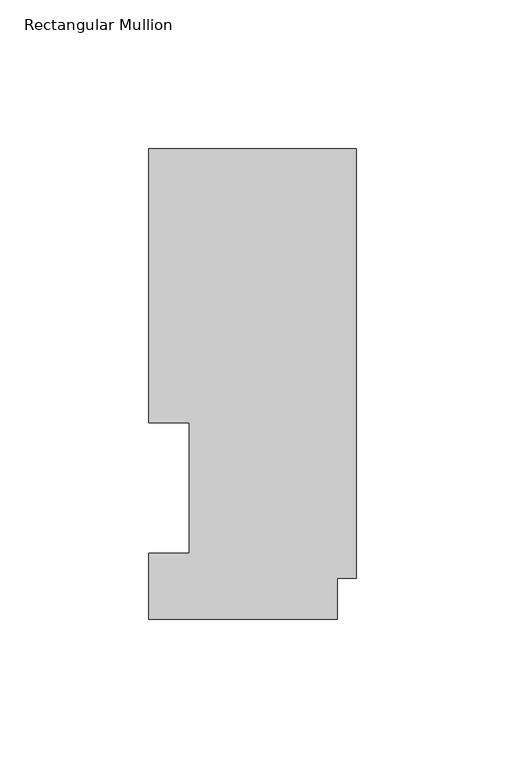
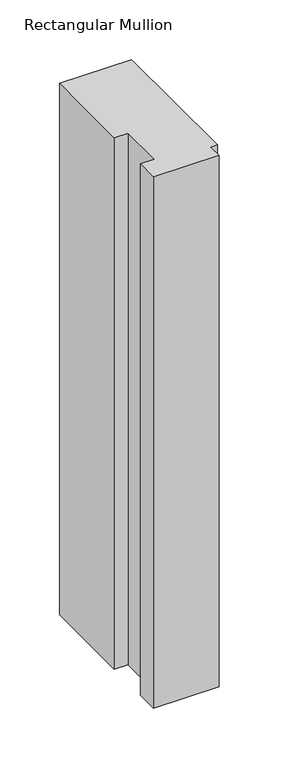
"""IFC4 building model written with IfcOpenShell, lengths in millimetres: member geometry, Rectangular Mullion."""

from ifc_helpers import new_model, si_unit, frame, origin, place, context, project, spatial, polyline, outline, extrude, source, transform, mapped, element, save


def rectangular_mullion_813de20a(model_context):
    return source(origin(), model_context, "Body", "SweptSolid", [
        extrude(outline(polyline([(0.0, 158.2308875), (0.0, 13.7556875), (-6.35, 13.7556875), (-6.35, -0.0111125), (-69.85, -0.0111125), (-69.85, 22.1122875), (-56.1848, 22.1122875), (-56.1848, 66.0796875), (-69.85, 66.0796875), (-69.85, 158.2308875), (0.0, 158.2308875)])), frame((0.0, 0.0, -545.0416667), z_axis=(0.0, 0.0, 1.0), x_axis=(1.0, 0.0, 0.0)), (0.0, 0.0, 1.0), 545.0416667),
    ])


if __name__ == "__main__":
    model = new_model("IFC4")
    model_context = context("Model", 3, world=origin())
    ifc_project = project(units=[si_unit("LENGTHUNIT", "METRE", prefix="MILLI")], contexts=[model_context])
    site = spatial("IfcSite", under=ifc_project)
    building = spatial("IfcBuilding", under=site)
    placement = place(None, origin())
    rectangular_mullion_shape = rectangular_mullion_813de20a(model_context)
    element("IfcMember", 1, ObjectType="Rectangular Mullion", at=placement, inside=building, context=model_context, shape_type="MappedRepresentation", body=[
        mapped(rectangular_mullion_shape, transform((0.0, 0.0, 0.0), x_axis=(1.0, 0.0, 0.0), y_axis=(0.0, 1.0, 0.0), z_axis=(0.0, 0.0, 1.0))),
    ])
    save(model, "model.ifc")
